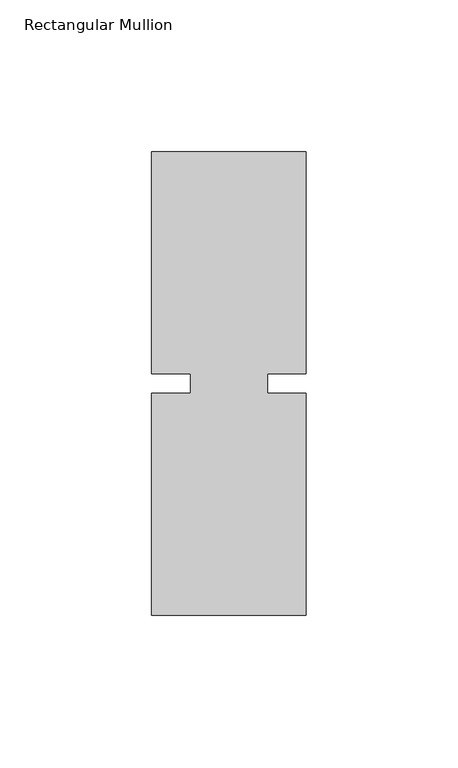
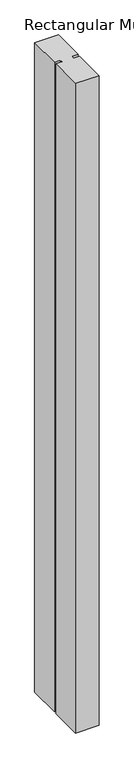
"""IFC4 building model written with IfcOpenShell, lengths in millimetres: member geometry, Rectangular Mullion."""

from ifc_helpers import new_model, si_unit, frame, origin, place, context, project, spatial, polyline, outline, extrude, source, transform, mapped, element, save


def rectangular_mullion_8a73ded1(model_context):
    return source(origin(), model_context, "Body", "SweptSolid", [
        extrude(outline(polyline([(29.7344027, 76.2), (29.7344027, 3.175), (17.0326322, 3.175), (17.0326322, -3.175), (29.7344027, -3.175), (29.7344027, -76.2), (-21.0655973, -76.2), (-21.0655973, -3.175), (-8.3655973, -3.175), (-8.3655973, 3.175), (-21.0655973, 3.175), (-21.0655973, 76.2), (29.7344027, 76.2)])), frame((0.0, 0.0, -1478.28), z_axis=(0.0, 0.0, 1.0), x_axis=(1.0, 0.0, 0.0)), (0.0, 0.0, 1.0), 1478.28),
    ])


if __name__ == "__main__":
    model = new_model("IFC4")
    model_context = context("Model", 3, world=origin())
    ifc_project = project(units=[si_unit("LENGTHUNIT", "METRE", prefix="MILLI")], contexts=[model_context])
    site = spatial("IfcSite", under=ifc_project)
    building = spatial("IfcBuilding", under=site)
    placement = place(None, origin())
    rectangular_mullion_shape = rectangular_mullion_8a73ded1(model_context)
    element("IfcMember", 1, ObjectType="Rectangular Mullion", at=placement, inside=building, context=model_context, shape_type="MappedRepresentation", body=[
        mapped(rectangular_mullion_shape, transform((0.0, 0.0, 0.0), x_axis=(1.0, 0.0, 0.0), y_axis=(0.0, 1.0, 0.0), z_axis=(0.0, 0.0, 1.0))),
    ])
    save(model, "model.ifc")
